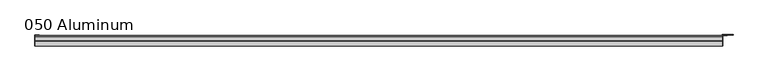
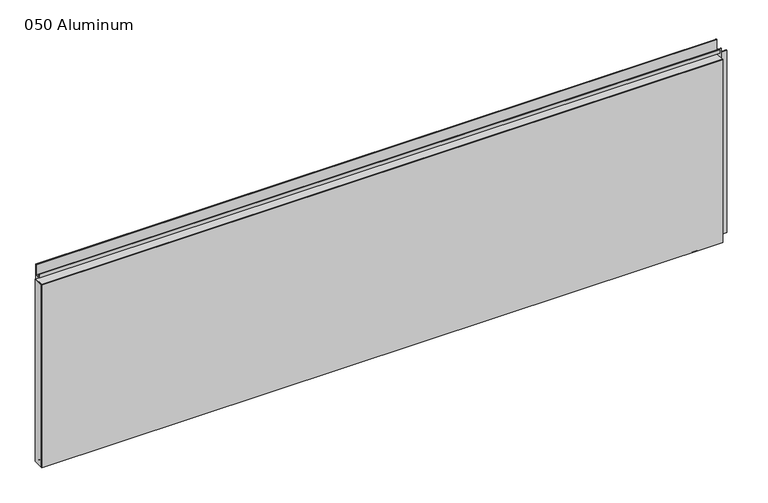
"""IFC4 building model written with IfcOpenShell, lengths in millimetres: plate geometry, 050 Aluminum."""

import ifcopenshell
import ifcopenshell.guid

model = None  # the IFC model being written
_history = None  # IfcOwnerHistory: only IFC2X3 demands one
_inside = {}  # id of a spatial element -> (the spatial element, [elements in it])
_under = {}  # id of a project, library or spatial element -> (it, [spatial elements below it])
_declared = {}  # id of a project -> (the project, [libraries it declares])
_typed = {}  # id of a type object -> (the type object, [elements of that type])
_made_of = {}  # id of a material, layer set ... -> (it, [elements and type objects made of it])


def new_model(schema):
    """Start an empty IFC model of exactly this schema.

    Asked for "IFC4X3", IfcOpenShell would pick the latest addendum, in which some entities
    have other attributes; the version numbers below select the first issue.
    IFC2X3 requires an IfcOwnerHistory on every rooted entity: one is made here for all.
    """
    global model, _history
    if schema == "IFC4X3":
        model = ifcopenshell.file(schema_version=(4, 3, 0, 0))
    else:
        model = ifcopenshell.file(schema=schema)
    _inside.clear()
    _under.clear()
    _declared.clear()
    _typed.clear()
    _made_of.clear()
    _history = None
    if model.schema == "IFC2X3":
        org = make("IfcOrganization", Name="unknown")
        user = make(
            "IfcPersonAndOrganization",
            ThePerson=make("IfcPerson", FamilyName="unknown"),
            TheOrganization=org,
        )
        app = make(
            "IfcApplication",
            ApplicationDeveloper=org,
            Version="unknown",
            ApplicationFullName="unknown",
            ApplicationIdentifier="unknown",
        )
        _history = make(
            "IfcOwnerHistory",
            OwningUser=user,
            OwningApplication=app,
            ChangeAction="ADDED",
            CreationDate=0,
        )
    return model


def make(cls, **values):
    """One entity of the class cls with the attributes given. An attribute that is None is left unset."""
    return model.create_entity(
        cls, **{name: value for name, value in values.items() if value is not None}
    )


def rooted(cls, **values):
    """An entity with a GlobalId (a new one), such as an element, a storey or a relation."""
    return make(cls, GlobalId=ifcopenshell.guid.new(), OwnerHistory=_history, **values)


def si_unit(unit_type, name, prefix=None):
    """IfcSIUnit, for example si_unit("LENGTHUNIT", "METRE", prefix="MILLI")."""
    return make("IfcSIUnit", UnitType=unit_type, Prefix=prefix, Name=name)


def assignment(units):
    """IfcUnitAssignment: the units of a project."""
    return None if units is None else make("IfcUnitAssignment", Units=units)


def point(xyz):
    """IfcCartesianPoint."""
    return None if xyz is None else make("IfcCartesianPoint", Coordinates=xyz)


def direction(xyz):
    """IfcDirection."""
    return None if xyz is None else make("IfcDirection", DirectionRatios=xyz)


def frame(location, z_axis=None, x_axis=None):
    """IfcAxis2Placement3D, a coordinate frame: its origin and axes. An axis left out is left unset."""
    return make(
        "IfcAxis2Placement3D",
        Location=point(location),
        Axis=direction(z_axis),
        RefDirection=direction(x_axis),
    )


def frame_2d(location, x_axis=None):
    """IfcAxis2Placement2D, a coordinate frame in the plane: its origin and x axis."""
    return make(
        "IfcAxis2Placement2D", Location=point(location), RefDirection=direction(x_axis)
    )


def origin():
    """The frame at (0, 0, 0) with its axes left unset."""
    return frame((0.0, 0.0, 0.0))


def origin_with_axes():
    """The frame at (0, 0, 0) with the z axis (0, 0, 1) and the x axis (1, 0, 0) written out."""
    return frame((0.0, 0.0, 0.0), z_axis=(0.0, 0.0, 1.0), x_axis=(1.0, 0.0, 0.0))


def place(relative_to, where):
    """IfcLocalPlacement: puts the frame where relative to a parent placement (None: the world)."""
    return make(
        "IfcLocalPlacement", PlacementRelTo=relative_to, RelativePlacement=where
    )


def context(
    kind, dimensions, precision=None, world=None, true_north=None, identifier=None
):
    """IfcGeometricRepresentationContext, for example the 3D "Model" context."""
    return make(
        "IfcGeometricRepresentationContext",
        ContextIdentifier=identifier,
        ContextType=kind,
        CoordinateSpaceDimension=dimensions,
        Precision=precision,
        WorldCoordinateSystem=world,
        TrueNorth=true_north,
    )


def project(units=None, contexts=None):
    """IfcProject with its units and contexts."""
    return rooted(
        "IfcProject",
        Name="project",
        RepresentationContexts=contexts,
        UnitsInContext=assignment(units),
    )


def spatial(cls, under=None, at=None, **own):
    """A site, building, storey or space (cls), placed at a placement, below another one or the project."""
    s = rooted(cls, ObjectPlacement=at, **own)
    if under is not None:
        _under.setdefault(under.id(), (under, []))[1].append(s)
    return s


def polyline(points):
    """IfcPolyline through the points."""
    return make("IfcPolyline", Points=[point(p) for p in points])


def circle_curve(where, radius):
    """IfcCircle in the frame where."""
    return make("IfcCircle", Position=where, Radius=radius)


def trimmed(basis, trim1, trim2, sense, master):
    """IfcTrimmedCurve: the piece of a basis curve between two trims."""
    return make(
        "IfcTrimmedCurve",
        BasisCurve=basis,
        Trim1=trim1,
        Trim2=trim2,
        SenseAgreement=sense,
        MasterRepresentation=master,
    )


def segment(curve, same_sense, transition):
    """IfcCompositeCurveSegment."""
    return make(
        "IfcCompositeCurveSegment",
        Transition=transition,
        SameSense=same_sense,
        ParentCurve=curve,
    )


def composite_curve(segments, self_intersect=None):
    """IfcCompositeCurve: segments joined end to end."""
    return make("IfcCompositeCurve", Segments=segments, SelfIntersect=self_intersect)


def outline(outer, holes=None, kind="AREA"):
    """IfcArbitraryClosedProfileDef: a profile drawn as a closed curve; with holes, ...WithVoids."""
    if holes is None:
        return make("IfcArbitraryClosedProfileDef", ProfileType=kind, OuterCurve=outer)
    return make(
        "IfcArbitraryProfileDefWithVoids",
        ProfileType=kind,
        OuterCurve=outer,
        InnerCurves=holes,
    )


def extrude(swept, where, along, depth):
    """IfcExtrudedAreaSolid: the profile swept, set in the frame where, extruded along a direction by depth."""
    return make(
        "IfcExtrudedAreaSolid",
        SweptArea=swept,
        Position=where,
        ExtrudedDirection=direction(along),
        Depth=depth,
    )


def shape(context_of_items, identifier, shape_type, items):
    """IfcShapeRepresentation: the items that make up one representation, for example the "Body"."""
    return make(
        "IfcShapeRepresentation",
        ContextOfItems=context_of_items,
        RepresentationIdentifier=identifier,
        RepresentationType=shape_type,
        Items=items,
    )


def source(mapping_origin, context_of_items, identifier, shape_type, items):
    """IfcRepresentationMap: a shape defined once, which mapped items show again and again."""
    return make(
        "IfcRepresentationMap",
        MappingOrigin=mapping_origin,
        MappedRepresentation=shape(context_of_items, identifier, shape_type, items),
    )


def transform(
    local_origin,
    x_axis=None,
    y_axis=None,
    z_axis=None,
    scale=None,
    scale2=None,
    scale3=None,
    uniform=True,
):
    """IfcCartesianTransformationOperator3D, or its non-uniform kind. x_axis, y_axis, z_axis: its Axis1, 2, 3."""
    if uniform:
        return make(
            "IfcCartesianTransformationOperator3D",
            Axis1=direction(x_axis),
            Axis2=direction(y_axis),
            LocalOrigin=point(local_origin),
            Scale=scale,
            Axis3=direction(z_axis),
        )
    return make(
        "IfcCartesianTransformationOperator3DnonUniform",
        Axis1=direction(x_axis),
        Axis2=direction(y_axis),
        LocalOrigin=point(local_origin),
        Scale=scale,
        Axis3=direction(z_axis),
        Scale2=scale2,
        Scale3=scale3,
    )


def mapped(mapping_source, mapping_target):
    """IfcMappedItem: shows the shape of a source again, moved by a transform."""
    return make(
        "IfcMappedItem", MappingSource=mapping_source, MappingTarget=mapping_target
    )


def made_of(thing, what):
    """Note that an element or type object is made of a material, layer set ...; save() writes the relation."""
    if what is not None:
        _made_of.setdefault(what.id(), (what, []))[1].append(thing)
    return thing


def element(
    cls,
    number,
    at=None,
    inside=None,
    cuts=None,
    type_object=None,
    material=None,
    context=None,
    identifier="Body",
    shape_type=None,
    held_by="IfcProductDefinitionShape",
    body=None,
    shapes=None,
    **own,
):
    """One element of the class cls, such as IfcWall. Its Tag is "e" and its number.

    at: its placement. inside: the storey or other place that contains it. cuts: it is an
    opening in that element (IfcRelVoidsElement). A single representation is given by context,
    identifier, shape_type and body (its items); several are given by shapes. held_by: the class
    of the entity that holds the representations. save() writes the other relations.
    """
    e = rooted(cls, Tag="e%d" % number, ObjectPlacement=at, **own)
    if body is not None:
        shapes = [shape(context, identifier, shape_type, body)]
    if shapes is not None:
        e.Representation = make(held_by, Representations=shapes)
    if inside is not None:
        _inside.setdefault(inside.id(), (inside, []))[1].append(e)
    if cuts is not None:
        rooted(
            "IfcRelVoidsElement", RelatingBuildingElement=cuts, RelatedOpeningElement=e
        )
    if type_object is not None:
        _typed.setdefault(type_object.id(), (type_object, []))[1].append(e)
    return made_of(e, material)


def aggregate(whole, parts):
    """IfcRelAggregates: a whole, such as a stair, and the parts it consists of."""
    return rooted("IfcRelAggregates", RelatingObject=whole, RelatedObjects=parts)


def save(model, path):
    """Write the relations noted so far, then the file.

    IfcRelAggregates (storeys below a building ...), IfcRelContainedInSpatialStructure (elements
    in a storey), IfcRelDefinesByType, IfcRelAssociatesMaterial and IfcRelDeclares: one each for
    every whole, place, type object, material and project.
    """
    for whole, parts in _under.values():
        aggregate(whole, parts)
    for where, things in _inside.values():
        rooted(
            "IfcRelContainedInSpatialStructure",
            RelatedElements=things,
            RelatingStructure=where,
        )
    for kind, things in _typed.values():
        rooted("IfcRelDefinesByType", RelatedObjects=things, RelatingType=kind)
    for what, things in _made_of.values():
        rooted("IfcRelAssociatesMaterial", RelatedObjects=things, RelatingMaterial=what)
    for by, libraries in _declared.values():
        rooted("IfcRelDeclares", RelatingContext=by, RelatedDefinitions=libraries)
    model.write(path)


def plate_050_aluminum_5e00b1d7(model_context):
    return source(origin(), model_context, "Body", "SweptSolid", [
        extrude(outline(polyline([(-1078.0977083, -2.5660257), (-1078.0977083, -34.7980001), (-1079.3677082, -34.7980001), (-1079.3677082, -1.2699999), (-1065.2072077, -1.2699999), (-1065.2072077, -2.5660257), (-1078.0977083, -2.5660257)])), origin_with_axes(), (0.0, 0.0, 1.0), 608.33),
        extrude(outline(composite_curve([segment(polyline([(-16.6765477, 13.1458337), (-16.6765477, 2.786437), (-17.9464915, 2.786437), (-17.9464915, 13.1323356)]), True, "CONTINUOUS"), segment(trimmed(circle_curve(frame_2d((-19.8514743, 13.124237)), 1.905), [point((-17.9464915, 13.1323356))], [point((-21.7564743, 13.124237))], True, "CARTESIAN"), True, "CONTINUOUS"), segment(polyline([(-21.7564743, 13.124237), (-21.7564743, 0.0), (-34.7980002, 0.0), (-34.7980002, 1.2693678), (-23.0264743, 1.2693678), (-23.0264743, 13.124237)]), True, "CONTINUOUS"), segment(trimmed(circle_curve(frame_2d((-19.8514743, 13.124237)), 3.175), [point((-23.0264743, 13.124237))], [point((-16.6765477, 13.1458337))], False, "CARTESIAN"), True, "CONTINUOUS")], self_intersect=False)), frame((-1078.0977083, 0.0, 0.0), z_axis=(1.0, 0.0, 0.0), x_axis=(0.0, 1.0, 0.0)), (0.0, 0.0, 1.0), 2143.4954165),
        extrude(outline(composite_curve([segment(polyline([(-2.0574743, 656.7932001), (-2.0574743, 608.33), (-34.7980002, 608.33), (-34.7980002, 609.6000001), (-3.3274743, 609.6000001), (-3.3274743, 656.7932001)]), True, "CONTINUOUS"), segment(trimmed(circle_curve(frame_2d((-3.7084742, 656.7932001)), 0.3809999), [point((-3.3274743, 656.7932001))], [point((-4.0894742, 656.7932001))], True, "CARTESIAN"), True, "CONTINUOUS"), segment(polyline([(-4.0894742, 656.7932001), (-4.0894742, 622.3), (-20.4864742, 622.3), (-20.4864742, 633.6538), (-19.2164743, 633.6538), (-19.2164743, 623.57), (-5.3594742, 623.57), (-5.3594742, 656.7932001)]), True, "CONTINUOUS"), segment(trimmed(circle_curve(frame_2d((-3.7084742, 656.7932001)), 1.6509999), [point((-5.3594742, 656.7932001))], [point((-2.0574743, 656.7932001))], False, "CARTESIAN"), True, "CONTINUOUS")], self_intersect=False)), frame((-1078.0977083, 0.0, 0.0), z_axis=(1.0, 0.0, 0.0), x_axis=(0.0, 1.0, 0.0)), (0.0, 0.0, 1.0), 2143.4954165),
        extrude(outline(polyline([(-1079.3677083, -36.068), (-1079.3677083, -34.7980001), (1066.6677083, -34.7980001), (1066.6677083, -36.068), (-1079.3677083, -36.068)])), origin_with_axes(), (0.0, 0.0, 1.0), 609.6),
        extrude(outline(polyline([(1066.6677083, -1.2699999), (1066.6677083, -34.7980002), (1065.3977083, -34.7980002), (1065.3977083, 0.0), (1099.1797939, 0.0), (1099.1797939, -1.2699999), (1066.6677083, -1.2699999)])), origin_with_axes(), (0.0, 0.0, 1.0), 608.33),
        extrude(outline(polyline([(1065.3977083, -3.3274743), (1065.3977083, -2.0574743), (1081.1457082, -2.0574743), (1081.1457082, -3.3274743), (1065.3977083, -3.3274743)])), origin_with_axes(), (0.0, 0.0, 1.0), 622.3),
    ])


if __name__ == "__main__":
    model = new_model("IFC4")
    model_context = context("Model", 3, world=origin())
    ifc_project = project(units=[si_unit("LENGTHUNIT", "METRE", prefix="MILLI")], contexts=[model_context])
    site = spatial("IfcSite", under=ifc_project)
    building = spatial("IfcBuilding", under=site)
    placement = place(None, origin())
    plate_050_aluminum_shape = plate_050_aluminum_5e00b1d7(model_context)
    element("IfcPlate", 1, ObjectType="050 Aluminum", at=placement, inside=building, context=model_context, shape_type="MappedRepresentation", body=[
        mapped(plate_050_aluminum_shape, transform((0.0, 0.0, 0.0), x_axis=(1.0, 0.0, 0.0), y_axis=(0.0, 1.0, 0.0), z_axis=(0.0, 0.0, 1.0))),
    ])
    save(model, "model.ifc")
